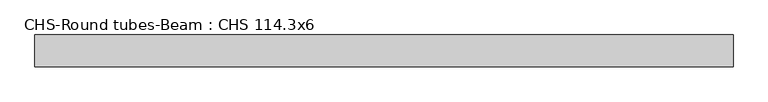
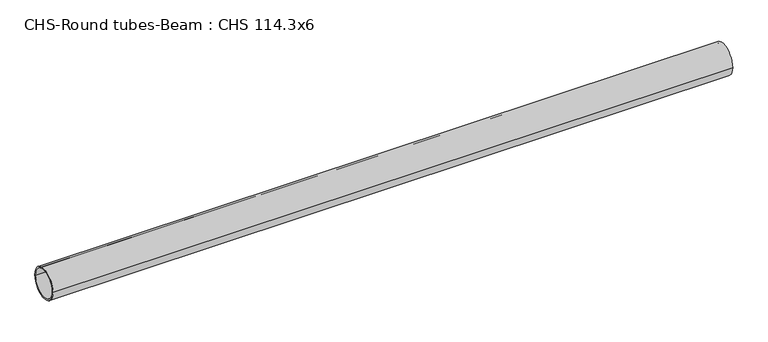
"""IFC4 building model written with IfcOpenShell, lengths in millimetres: beam geometry, CHS-Round tubes-Beam : CHS 114.3x6."""

from ifc_helpers import new_model, si_unit, point, frame, origin, origin_2d, place, context, project, spatial, circle_curve, trimmed, segment, composite_curve, outline, extrude, source, transform, mapped, element, save


def chs_round_tubes_beam_chs_114_3x6_ba9bcc0c(model_context):
    return source(origin(), model_context, "Body", "SweptSolid", [
        extrude(outline(composite_curve([segment(trimmed(circle_curve(origin_2d(), 57.15), [point((57.15, 0.0))], [point((-57.15, 0.0))], False, "CARTESIAN"), True, "CONTINUOUS"), segment(trimmed(circle_curve(origin_2d(), 57.15), [point((-57.15, 0.0))], [point((57.15, 0.0))], False, "CARTESIAN"), True, "CONTINUOUS")], self_intersect=False), holes=[composite_curve([segment(trimmed(circle_curve(origin_2d(), 51.15), [point((51.15, 0.0))], [point((-51.15, 0.0))], True, "CARTESIAN"), True, "CONTINUOUS"), segment(trimmed(circle_curve(origin_2d(), 51.15), [point((-51.15, 0.0))], [point((51.15, 0.0))], True, "CARTESIAN"), True, "CONTINUOUS")], self_intersect=False)]), frame((-1192.1184581, 0.0, 0.0), z_axis=(1.0, 0.0, 0.0), x_axis=(0.0, 1.0, 0.0)), (0.0, 0.0, 1.0), 2491.5957932),
    ])


if __name__ == "__main__":
    model = new_model("IFC4")
    model_context = context("Model", 3, world=origin())
    ifc_project = project(units=[si_unit("LENGTHUNIT", "METRE", prefix="MILLI")], contexts=[model_context])
    site = spatial("IfcSite", under=ifc_project)
    building = spatial("IfcBuilding", under=site)
    placement = place(None, origin())
    chs_round_tubes_beam_chs_114_3x6_shape = chs_round_tubes_beam_chs_114_3x6_ba9bcc0c(model_context)
    element("IfcBeam", 1, ObjectType="CHS-Round tubes-Beam : CHS 114.3x6", at=placement, inside=building, context=model_context, shape_type="MappedRepresentation", body=[
        mapped(chs_round_tubes_beam_chs_114_3x6_shape, transform((0.0, 0.0, 0.0), x_axis=(1.0, 0.0, 0.0), y_axis=(0.0, 1.0, 0.0), z_axis=(0.0, 0.0, 1.0))),
    ])
    save(model, "model.ifc")
